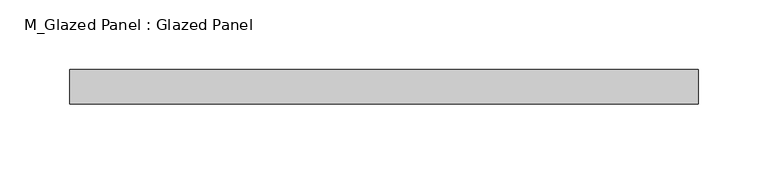
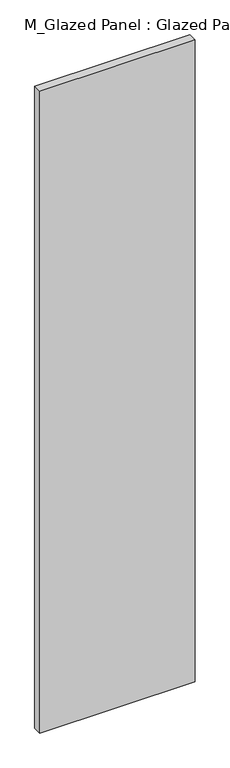
"""IFC4 building model written with IfcOpenShell, lengths in millimetres: plate geometry, M_Glazed Panel : Glazed Panel."""

from ifc_helpers import new_model, si_unit, origin, origin_with_axes, place, context, project, spatial, polyline, outline, extrude, source, transform, mapped, element, save


def m_glazed_panel_glazed_panel_38ecb3fc(model_context):
    return source(origin(), model_context, "Body", "SweptSolid", [
        extrude(outline(polyline([(226.1967725, 38.5), (-226.1967725, 38.5), (-226.1967725, 63.5), (226.1967725, 63.5), (226.1967725, 38.5)])), origin_with_axes(), (0.0, 0.0, 1.0), 1975.0),
    ])


if __name__ == "__main__":
    model = new_model("IFC4")
    model_context = context("Model", 3, world=origin())
    ifc_project = project(units=[si_unit("LENGTHUNIT", "METRE", prefix="MILLI")], contexts=[model_context])
    site = spatial("IfcSite", under=ifc_project)
    building = spatial("IfcBuilding", under=site)
    placement = place(None, origin())
    m_glazed_panel_glazed_panel_shape = m_glazed_panel_glazed_panel_38ecb3fc(model_context)
    element("IfcPlate", 1, ObjectType="M_Glazed Panel : Glazed Panel", at=placement, inside=building, context=model_context, shape_type="MappedRepresentation", body=[
        mapped(m_glazed_panel_glazed_panel_shape, transform((0.0, 0.0, 0.0), x_axis=(1.0, 0.0, 0.0), y_axis=(0.0, 1.0, 0.0), z_axis=(0.0, 0.0, 1.0))),
    ])
    save(model, "model.ifc")
